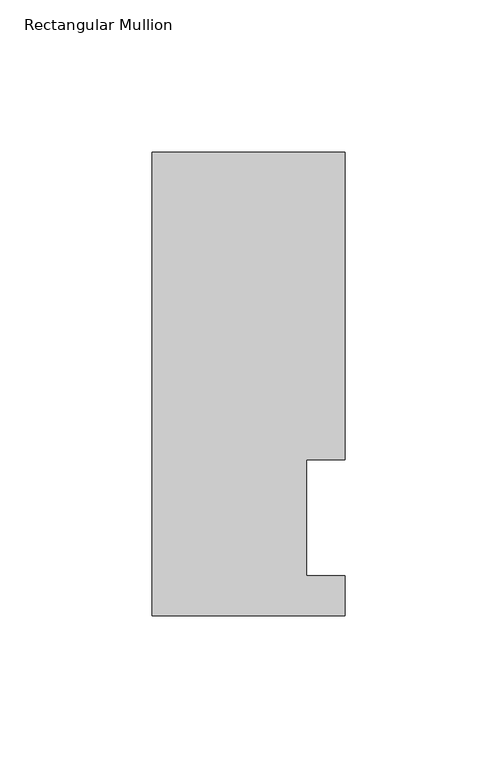
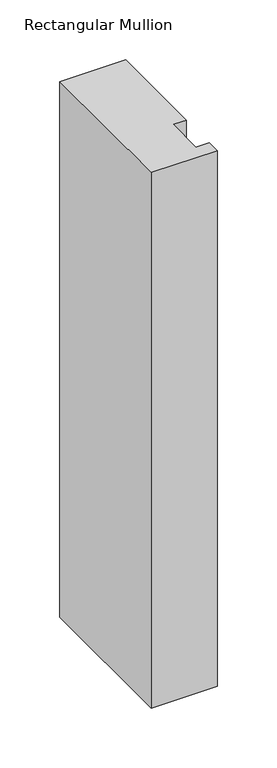
"""IFC4 building model written with IfcOpenShell, lengths in millimetres: member geometry, Rectangular Mullion."""

import ifcopenshell
import ifcopenshell.guid

model = None  # the IFC model being written
_history = None  # IfcOwnerHistory: only IFC2X3 demands one
_inside = {}  # id of a spatial element -> (the spatial element, [elements in it])
_under = {}  # id of a project, library or spatial element -> (it, [spatial elements below it])
_declared = {}  # id of a project -> (the project, [libraries it declares])
_typed = {}  # id of a type object -> (the type object, [elements of that type])
_made_of = {}  # id of a material, layer set ... -> (it, [elements and type objects made of it])


def new_model(schema):
    """Start an empty IFC model of exactly this schema.

    Asked for "IFC4X3", IfcOpenShell would pick the latest addendum, in which some entities
    have other attributes; the version numbers below select the first issue.
    IFC2X3 requires an IfcOwnerHistory on every rooted entity: one is made here for all.
    """
    global model, _history
    if schema == "IFC4X3":
        model = ifcopenshell.file(schema_version=(4, 3, 0, 0))
    else:
        model = ifcopenshell.file(schema=schema)
    _inside.clear()
    _under.clear()
    _declared.clear()
    _typed.clear()
    _made_of.clear()
    _history = None
    if model.schema == "IFC2X3":
        org = make("IfcOrganization", Name="unknown")
        user = make(
            "IfcPersonAndOrganization",
            ThePerson=make("IfcPerson", FamilyName="unknown"),
            TheOrganization=org,
        )
        app = make(
            "IfcApplication",
            ApplicationDeveloper=org,
            Version="unknown",
            ApplicationFullName="unknown",
            ApplicationIdentifier="unknown",
        )
        _history = make(
            "IfcOwnerHistory",
            OwningUser=user,
            OwningApplication=app,
            ChangeAction="ADDED",
            CreationDate=0,
        )
    return model


def make(cls, **values):
    """One entity of the class cls with the attributes given. An attribute that is None is left unset."""
    return model.create_entity(
        cls, **{name: value for name, value in values.items() if value is not None}
    )


def rooted(cls, **values):
    """An entity with a GlobalId (a new one), such as an element, a storey or a relation."""
    return make(cls, GlobalId=ifcopenshell.guid.new(), OwnerHistory=_history, **values)


def si_unit(unit_type, name, prefix=None):
    """IfcSIUnit, for example si_unit("LENGTHUNIT", "METRE", prefix="MILLI")."""
    return make("IfcSIUnit", UnitType=unit_type, Prefix=prefix, Name=name)


def assignment(units):
    """IfcUnitAssignment: the units of a project."""
    return None if units is None else make("IfcUnitAssignment", Units=units)


def point(xyz):
    """IfcCartesianPoint."""
    return None if xyz is None else make("IfcCartesianPoint", Coordinates=xyz)


def direction(xyz):
    """IfcDirection."""
    return None if xyz is None else make("IfcDirection", DirectionRatios=xyz)


def frame(location, z_axis=None, x_axis=None):
    """IfcAxis2Placement3D, a coordinate frame: its origin and axes. An axis left out is left unset."""
    return make(
        "IfcAxis2Placement3D",
        Location=point(location),
        Axis=direction(z_axis),
        RefDirection=direction(x_axis),
    )


def origin():
    """The frame at (0, 0, 0) with its axes left unset."""
    return frame((0.0, 0.0, 0.0))


def place(relative_to, where):
    """IfcLocalPlacement: puts the frame where relative to a parent placement (None: the world)."""
    return make(
        "IfcLocalPlacement", PlacementRelTo=relative_to, RelativePlacement=where
    )


def context(
    kind, dimensions, precision=None, world=None, true_north=None, identifier=None
):
    """IfcGeometricRepresentationContext, for example the 3D "Model" context."""
    return make(
        "IfcGeometricRepresentationContext",
        ContextIdentifier=identifier,
        ContextType=kind,
        CoordinateSpaceDimension=dimensions,
        Precision=precision,
        WorldCoordinateSystem=world,
        TrueNorth=true_north,
    )


def project(units=None, contexts=None):
    """IfcProject with its units and contexts."""
    return rooted(
        "IfcProject",
        Name="project",
        RepresentationContexts=contexts,
        UnitsInContext=assignment(units),
    )


def spatial(cls, under=None, at=None, **own):
    """A site, building, storey or space (cls), placed at a placement, below another one or the project."""
    s = rooted(cls, ObjectPlacement=at, **own)
    if under is not None:
        _under.setdefault(under.id(), (under, []))[1].append(s)
    return s


def polyline(points):
    """IfcPolyline through the points."""
    return make("IfcPolyline", Points=[point(p) for p in points])


def outline(outer, holes=None, kind="AREA"):
    """IfcArbitraryClosedProfileDef: a profile drawn as a closed curve; with holes, ...WithVoids."""
    if holes is None:
        return make("IfcArbitraryClosedProfileDef", ProfileType=kind, OuterCurve=outer)
    return make(
        "IfcArbitraryProfileDefWithVoids",
        ProfileType=kind,
        OuterCurve=outer,
        InnerCurves=holes,
    )


def extrude(swept, where, along, depth):
    """IfcExtrudedAreaSolid: the profile swept, set in the frame where, extruded along a direction by depth."""
    return make(
        "IfcExtrudedAreaSolid",
        SweptArea=swept,
        Position=where,
        ExtrudedDirection=direction(along),
        Depth=depth,
    )


def shape(context_of_items, identifier, shape_type, items):
    """IfcShapeRepresentation: the items that make up one representation, for example the "Body"."""
    return make(
        "IfcShapeRepresentation",
        ContextOfItems=context_of_items,
        RepresentationIdentifier=identifier,
        RepresentationType=shape_type,
        Items=items,
    )


def source(mapping_origin, context_of_items, identifier, shape_type, items):
    """IfcRepresentationMap: a shape defined once, which mapped items show again and again."""
    return make(
        "IfcRepresentationMap",
        MappingOrigin=mapping_origin,
        MappedRepresentation=shape(context_of_items, identifier, shape_type, items),
    )


def transform(
    local_origin,
    x_axis=None,
    y_axis=None,
    z_axis=None,
    scale=None,
    scale2=None,
    scale3=None,
    uniform=True,
):
    """IfcCartesianTransformationOperator3D, or its non-uniform kind. x_axis, y_axis, z_axis: its Axis1, 2, 3."""
    if uniform:
        return make(
            "IfcCartesianTransformationOperator3D",
            Axis1=direction(x_axis),
            Axis2=direction(y_axis),
            LocalOrigin=point(local_origin),
            Scale=scale,
            Axis3=direction(z_axis),
        )
    return make(
        "IfcCartesianTransformationOperator3DnonUniform",
        Axis1=direction(x_axis),
        Axis2=direction(y_axis),
        LocalOrigin=point(local_origin),
        Scale=scale,
        Axis3=direction(z_axis),
        Scale2=scale2,
        Scale3=scale3,
    )


def mapped(mapping_source, mapping_target):
    """IfcMappedItem: shows the shape of a source again, moved by a transform."""
    return make(
        "IfcMappedItem", MappingSource=mapping_source, MappingTarget=mapping_target
    )


def made_of(thing, what):
    """Note that an element or type object is made of a material, layer set ...; save() writes the relation."""
    if what is not None:
        _made_of.setdefault(what.id(), (what, []))[1].append(thing)
    return thing


def element(
    cls,
    number,
    at=None,
    inside=None,
    cuts=None,
    type_object=None,
    material=None,
    context=None,
    identifier="Body",
    shape_type=None,
    held_by="IfcProductDefinitionShape",
    body=None,
    shapes=None,
    **own,
):
    """One element of the class cls, such as IfcWall. Its Tag is "e" and its number.

    at: its placement. inside: the storey or other place that contains it. cuts: it is an
    opening in that element (IfcRelVoidsElement). A single representation is given by context,
    identifier, shape_type and body (its items); several are given by shapes. held_by: the class
    of the entity that holds the representations. save() writes the other relations.
    """
    e = rooted(cls, Tag="e%d" % number, ObjectPlacement=at, **own)
    if body is not None:
        shapes = [shape(context, identifier, shape_type, body)]
    if shapes is not None:
        e.Representation = make(held_by, Representations=shapes)
    if inside is not None:
        _inside.setdefault(inside.id(), (inside, []))[1].append(e)
    if cuts is not None:
        rooted(
            "IfcRelVoidsElement", RelatingBuildingElement=cuts, RelatedOpeningElement=e
        )
    if type_object is not None:
        _typed.setdefault(type_object.id(), (type_object, []))[1].append(e)
    return made_of(e, material)


def aggregate(whole, parts):
    """IfcRelAggregates: a whole, such as a stair, and the parts it consists of."""
    return rooted("IfcRelAggregates", RelatingObject=whole, RelatedObjects=parts)


def save(model, path):
    """Write the relations noted so far, then the file.

    IfcRelAggregates (storeys below a building ...), IfcRelContainedInSpatialStructure (elements
    in a storey), IfcRelDefinesByType, IfcRelAssociatesMaterial and IfcRelDeclares: one each for
    every whole, place, type object, material and project.
    """
    for whole, parts in _under.values():
        aggregate(whole, parts)
    for where, things in _inside.values():
        rooted(
            "IfcRelContainedInSpatialStructure",
            RelatedElements=things,
            RelatingStructure=where,
        )
    for kind, things in _typed.values():
        rooted("IfcRelDefinesByType", RelatedObjects=things, RelatingType=kind)
    for what, things in _made_of.values():
        rooted("IfcRelAssociatesMaterial", RelatedObjects=things, RelatingMaterial=what)
    for by, libraries in _declared.values():
        rooted("IfcRelDeclares", RelatingContext=by, RelatedDefinitions=libraries)
    model.write(path)


def rectangular_mullion_a024867a(model_context):
    return source(origin(), model_context, "Body", "SweptSolid", [
        extrude(outline(polyline([(-12.6873, 51.2960938), (-12.6873, 13.1960938), (0.0, 13.1960938), (0.0, 0.0134938), (-63.5, 0.0134938), (-63.5, 152.4896938), (0.0, 152.4896938), (0.0, 51.2960938), (-12.6873, 51.2960938)])), frame((0.0, 0.0, -546.0999997), z_axis=(0.0, 0.0, 1.0), x_axis=(1.0, 0.0, 0.0)), (0.0, 0.0, 1.0), 546.0999997),
    ])


if __name__ == "__main__":
    model = new_model("IFC4")
    model_context = context("Model", 3, world=origin())
    ifc_project = project(units=[si_unit("LENGTHUNIT", "METRE", prefix="MILLI")], contexts=[model_context])
    site = spatial("IfcSite", under=ifc_project)
    building = spatial("IfcBuilding", under=site)
    placement = place(None, origin())
    rectangular_mullion_shape = rectangular_mullion_a024867a(model_context)
    element("IfcMember", 1, ObjectType="Rectangular Mullion", at=placement, inside=building, context=model_context, shape_type="MappedRepresentation", body=[
        mapped(rectangular_mullion_shape, transform((0.0, 0.0, 0.0), x_axis=(1.0, 0.0, 0.0), y_axis=(0.0, 1.0, 0.0), z_axis=(0.0, 0.0, 1.0))),
    ])
    save(model, "model.ifc")
